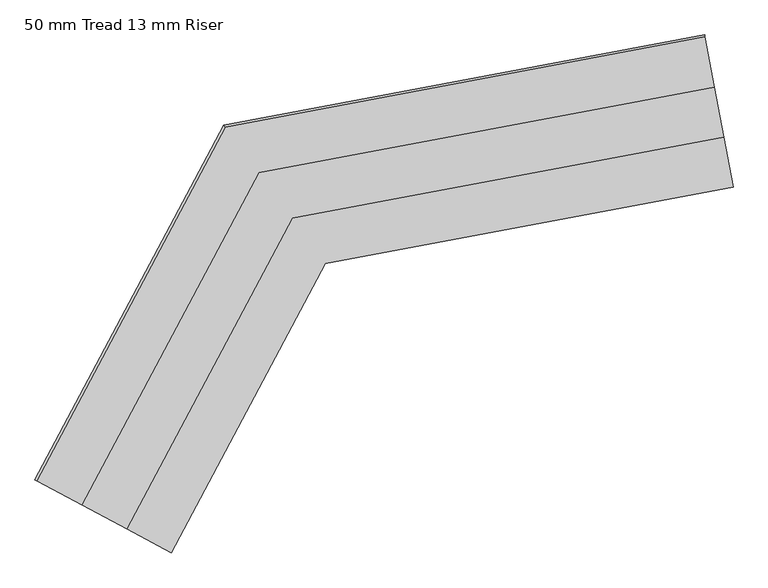
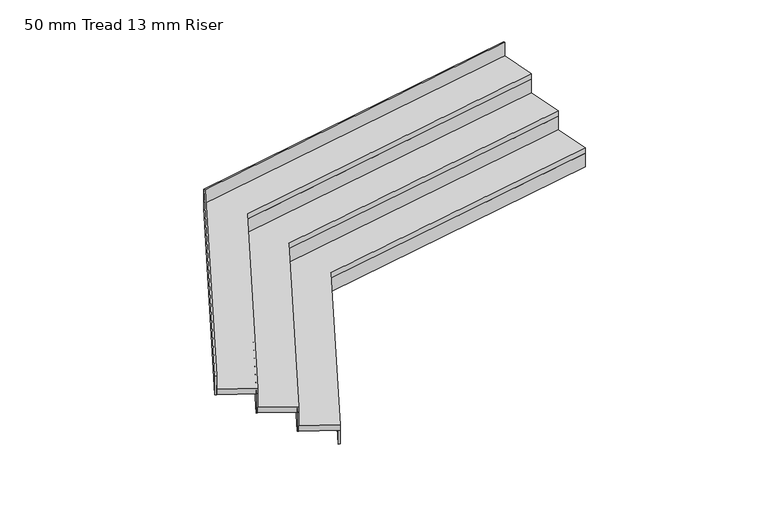
"""IFC4 building model written with IfcOpenShell, lengths in millimetres: stair flight geometry, 50 mm Tread 13 mm Riser."""

from ifc_helpers import new_model, si_unit, origin, place, context, project, spatial, faceted_brep, source, transform, mapped, element, save


def stair_flight_50_mm_tread_13_mm_riser_05c6ea6a(model_context):
    return source(origin(), model_context, "Body", "Brep", [
        faceted_brep([(-166844.2184586, -40937.9543169, 120.0), (-166844.2184586, -40937.9543169, 0.0), (-166846.5258052, -40925.6691164, 0.0), (-166846.5258052, -40925.6691164, 120.0), (-169246.8960838, -41389.2135426, 120.0), (-169246.8960838, -41389.2135426, 0.0), (-169255.1122219, -41378.0381026, 0.0), (-169255.1122219, -41378.0381026, 120.0), (-170154.5157879, -43096.8631422, 120.0), (-170165.5441016, -43090.9786962, 120.0), (-170165.5441016, -43090.9786962, 0.0), (-170154.5157879, -43096.8631422, 0.0)], [[[0, 1, 2, 3]], [[1, 0, 4, 5]], [[2, 1, 5, 6]], [[3, 2, 6, 7]], [[0, 3, 7, 4]], [[8, 9, 10, 11]], [[5, 4, 8, 11]], [[6, 5, 11, 10]], [[7, 6, 10, 9]], [[4, 7, 9, 8]]]),
        faceted_brep([(-170419.1953161, -42955.6364369, 170.0), (-170154.5157879, -43096.8631422, 170.0), (-169246.8960838, -41389.2135426, 170.0), (-166844.2184586, -40937.9543169, 170.0), (-166899.5947772, -40643.1095046, 170.0), (-169444.0833999, -41121.0029822, 170.0), (-170419.1953161, -42955.6364369, 120.0), (-169444.0833999, -41121.0029822, 120.0), (-166899.5947772, -40643.1095046, 120.0), (-166844.2184586, -40937.9543169, 120.0), (-169246.8960838, -41389.2135426, 120.0), (-170154.5157879, -43096.8631422, 120.0)], [[[0, 1, 2, 3, 4, 5]], [[6, 7, 8, 9, 10, 11]], [[1, 0, 6, 11]], [[2, 1, 11, 10]], [[3, 2, 10, 9]], [[4, 3, 9, 8]], [[5, 4, 8, 7]], [[0, 5, 7, 6]]]),
        faceted_brep([(-166899.5947772, -40643.1095046, 290.0), (-166899.5947772, -40643.1095046, 120.0), (-166901.9021238, -40630.8243041, 120.0), (-166901.9021238, -40630.8243041, 290.0), (-169444.0833999, -41121.0029822, 290.0), (-169444.0833999, -41121.0029822, 120.0), (-169452.299538, -41109.8275422, 120.0), (-169452.299538, -41109.8275422, 290.0), (-170419.1953161, -42955.6364369, 290.0), (-170430.2236298, -42949.7519908, 290.0), (-170430.2236298, -42949.7519908, 120.0), (-170419.1953161, -42955.6364369, 120.0)], [[[0, 1, 2, 3]], [[1, 0, 4, 5]], [[2, 1, 5, 6]], [[3, 2, 6, 7]], [[0, 3, 7, 4]], [[8, 9, 10, 11]], [[5, 4, 8, 11]], [[6, 5, 11, 10]], [[7, 6, 10, 9]], [[4, 7, 9, 8]]]),
        faceted_brep([(-170683.8748443, -42814.4097315, 340.0), (-170419.1953161, -42955.6364369, 340.0), (-169444.0833999, -41121.0029822, 340.0), (-166899.5947772, -40643.1095046, 340.0), (-166954.9710958, -40348.2646923, 340.0), (-169641.2707159, -40852.7924217, 340.0), (-170683.8748443, -42814.4097315, 290.0), (-169641.2707159, -40852.7924217, 290.0), (-166954.9710958, -40348.2646923, 290.0), (-166899.5947772, -40643.1095046, 290.0), (-169444.0833999, -41121.0029822, 290.0), (-170419.1953161, -42955.6364369, 290.0)], [[[0, 1, 2, 3, 4, 5]], [[6, 7, 8, 9, 10, 11]], [[1, 0, 6, 11]], [[2, 1, 11, 10]], [[3, 2, 10, 9]], [[4, 3, 9, 8]], [[5, 4, 8, 7]], [[0, 5, 7, 6]]]),
        faceted_brep([(-166954.9710958, -40348.2646923, 460.0), (-166954.9710958, -40348.2646923, 290.0), (-166957.2784424, -40335.9794918, 290.0), (-166957.2784424, -40335.9794918, 460.0), (-169641.2707159, -40852.7924217, 460.0), (-169641.2707159, -40852.7924217, 290.0), (-169649.4868541, -40841.6169817, 290.0), (-169649.4868541, -40841.6169817, 460.0), (-170683.8748443, -42814.4097315, 460.0), (-170694.903158, -42808.5252855, 460.0), (-170694.903158, -42808.5252855, 290.0), (-170683.8748443, -42814.4097315, 290.0)], [[[0, 1, 2, 3]], [[1, 0, 4, 5]], [[2, 1, 5, 6]], [[3, 2, 6, 7]], [[0, 3, 7, 4]], [[8, 9, 10, 11]], [[5, 4, 8, 11]], [[6, 5, 11, 10]], [[7, 6, 10, 9]], [[4, 7, 9, 8]]]),
        faceted_brep([(-167010.3474144, -40053.41988, 630.0), (-167010.3474144, -40053.41988, 460.0), (-167012.654761, -40041.1346795, 460.0), (-167012.654761, -40041.1346795, 630.0), (-169838.458032, -40584.5818612, 630.0), (-169838.458032, -40584.5818612, 460.0), (-169846.6741701, -40573.4064212, 460.0), (-169846.6741701, -40573.4064212, 630.0), (-170948.5543725, -42673.1830262, 630.0), (-170959.5826862, -42667.2985801, 630.0), (-170959.5826862, -42667.2985801, 460.0), (-170948.5543725, -42673.1830262, 460.0)], [[[0, 1, 2, 3]], [[1, 0, 4, 5]], [[2, 1, 5, 6]], [[3, 2, 6, 7]], [[0, 3, 7, 4]], [[8, 9, 10, 11]], [[5, 4, 8, 11]], [[6, 5, 11, 10]], [[7, 6, 10, 9]], [[4, 7, 9, 8]]]),
        faceted_brep([(-170948.5543725, -42673.1830262, 510.0), (-170683.8748443, -42814.4097315, 510.0), (-169641.2707159, -40852.7924217, 510.0), (-166954.9710958, -40348.2646923, 510.0), (-167010.3474144, -40053.41988, 510.0), (-169838.458032, -40584.5818612, 510.0), (-170948.5543725, -42673.1830262, 460.0), (-169838.458032, -40584.5818612, 460.0), (-167010.3474144, -40053.41988, 460.0), (-166954.9710958, -40348.2646923, 460.0), (-169641.2707159, -40852.7924217, 460.0), (-170683.8748443, -42814.4097315, 460.0)], [[[0, 1, 2, 3, 4, 5]], [[6, 7, 8, 9, 10, 11]], [[1, 0, 6, 11]], [[2, 1, 11, 10]], [[3, 2, 10, 9]], [[4, 3, 9, 8]], [[5, 4, 8, 7]], [[0, 5, 7, 6]]]),
    ])


if __name__ == "__main__":
    model = new_model("IFC4")
    model_context = context("Model", 3, world=origin())
    ifc_project = project(units=[si_unit("LENGTHUNIT", "METRE", prefix="MILLI")], contexts=[model_context])
    site = spatial("IfcSite", under=ifc_project)
    building = spatial("IfcBuilding", under=site)
    placement = place(None, origin())
    stair_flight_50_mm_tread_13_mm_riser_shape = stair_flight_50_mm_tread_13_mm_riser_05c6ea6a(model_context)
    element("IfcStairFlight", 1, ObjectType="50 mm Tread 13 mm Riser", at=placement, inside=building, context=model_context, shape_type="MappedRepresentation", body=[
        mapped(stair_flight_50_mm_tread_13_mm_riser_shape, transform((0.0, 0.0, 0.0), x_axis=(1.0, 0.0, 0.0), y_axis=(0.0, 1.0, 0.0), z_axis=(0.0, 0.0, 1.0))),
    ])
    save(model, "model.ifc")
